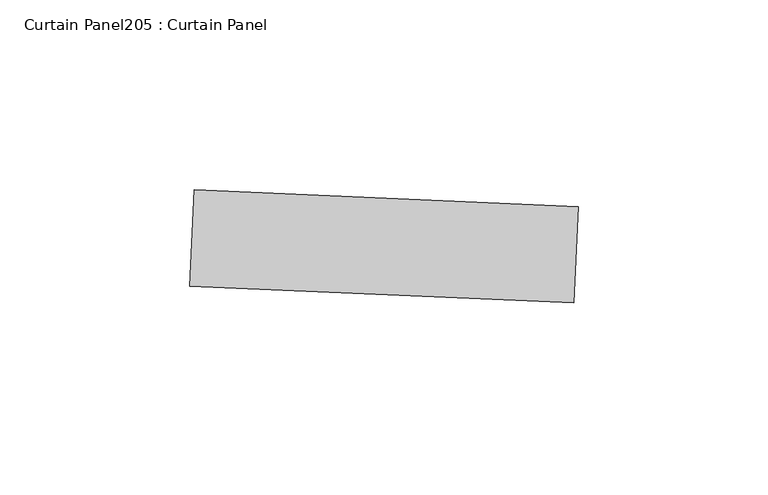
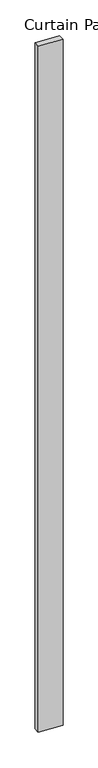
"""IFC4 building model written with IfcOpenShell, lengths in millimetres: plate geometry, Curtain Panel205 : Curtain Panel."""

from ifc_helpers import new_model, si_unit, frame, origin, place, context, project, spatial, polyline, outline, extrude, source, transform, mapped, element, save


def curtain_panel205_curtain_panel_c9880f85(model_context):
    return source(origin(), model_context, "Body", "SweptSolid", [
        extrude(outline(polyline([(616469.9523924, 2449.6761304), (616571.1096899, 2445.2595074), (616570.0017574, 2419.8836825), (616468.84446, 2424.3003055), (616469.9523924, 2449.6761304)])), frame((0.0, 0.0, 4959.7989371), z_axis=(0.0, 0.0, 1.0), x_axis=(1.0, 0.0, 0.0)), (0.0, 0.0, 1.0), 3048.0),
    ])


if __name__ == "__main__":
    model = new_model("IFC4")
    model_context = context("Model", 3, world=origin())
    ifc_project = project(units=[si_unit("LENGTHUNIT", "METRE", prefix="MILLI")], contexts=[model_context])
    site = spatial("IfcSite", under=ifc_project)
    building = spatial("IfcBuilding", under=site)
    placement = place(None, origin())
    curtain_panel205_curtain_panel_shape = curtain_panel205_curtain_panel_c9880f85(model_context)
    element("IfcPlate", 1, ObjectType="Curtain Panel205 : Curtain Panel", at=placement, inside=building, context=model_context, shape_type="MappedRepresentation", body=[
        mapped(curtain_panel205_curtain_panel_shape, transform((0.0, 0.0, 0.0), x_axis=(1.0, 0.0, 0.0), y_axis=(0.0, 1.0, 0.0), z_axis=(0.0, 0.0, 1.0))),
    ])
    save(model, "model.ifc")
